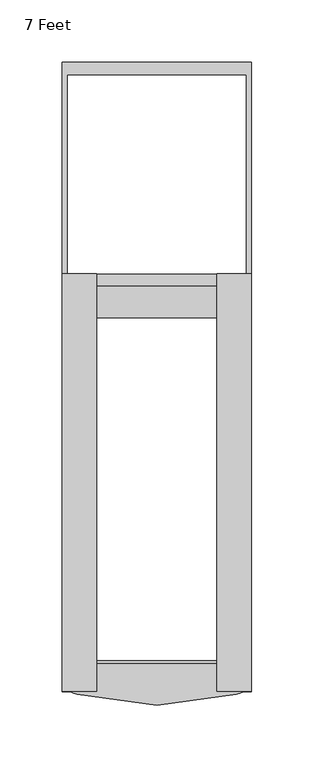
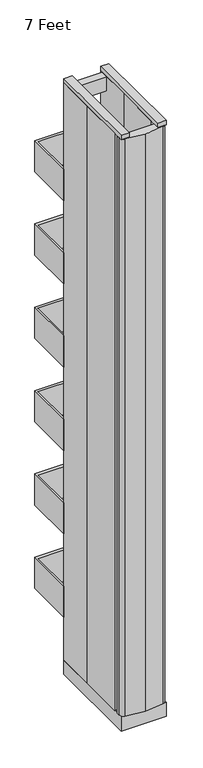
"""IFC4 building model written with IfcOpenShell, lengths in millimetres: electric appliance geometry, 7 Feet."""

from ifc_helpers import new_model, si_unit, point, frame, frame_2d, origin, origin_with_axes, place, context, project, spatial, polyline, circle_curve, trimmed, segment, composite_curve, outline, extrude, source, transform, mapped, element, save


def electric_appliance_7_feet_7bc435dc(model_context):
    return source(origin(), model_context, "Body", "SweptSolid", [
        extrude(outline(polyline([(-76.2, 169.926), (76.2, 169.926), (76.2, 0.0), (72.136, 0.0), (72.136, 160.02), (-72.136, 160.02), (-72.136, 0.0), (-76.2, 0.0), (-76.2, 169.926)])), frame((0.0, 0.0, 1696.974), z_axis=(0.0, 0.0, 1.0), x_axis=(1.0, 0.0, 0.0)), (0.0, 0.0, 1.0), 111.76),
        extrude(outline(polyline([(-76.2, 169.926), (76.2, 169.926), (76.2, 0.0), (72.136, 0.0), (72.136, 160.02), (-72.136, 160.02), (-72.136, 0.0), (-76.2, 0.0), (-76.2, 169.926)])), frame((0.0, 0.0, 1398.524), z_axis=(0.0, 0.0, 1.0), x_axis=(1.0, 0.0, 0.0)), (0.0, 0.0, 1.0), 111.76),
        extrude(outline(polyline([(-76.2, 169.926), (76.2, 169.926), (76.2, 0.0), (72.136, 0.0), (72.136, 160.02), (-72.136, 160.02), (-72.136, 0.0), (-76.2, 0.0), (-76.2, 169.926)])), frame((0.0, 0.0, 1100.074), z_axis=(0.0, 0.0, 1.0), x_axis=(1.0, 0.0, 0.0)), (0.0, 0.0, 1.0), 111.76),
        extrude(outline(polyline([(-76.2, 169.926), (76.2, 169.926), (76.2, 0.0), (72.136, 0.0), (72.136, 160.02), (-72.136, 160.02), (-72.136, 0.0), (-76.2, 0.0), (-76.2, 169.926)])), frame((0.0, 0.0, 801.624), z_axis=(0.0, 0.0, 1.0), x_axis=(1.0, 0.0, 0.0)), (0.0, 0.0, 1.0), 111.76),
        extrude(outline(polyline([(-76.2, 169.926), (76.2, 169.926), (76.2, 0.0), (72.136, 0.0), (72.136, 160.02), (-72.136, 160.02), (-72.136, 0.0), (-76.2, 0.0), (-76.2, 169.926)])), frame((0.0, 0.0, 503.174), z_axis=(0.0, 0.0, 1.0), x_axis=(1.0, 0.0, 0.0)), (0.0, 0.0, 1.0), 111.76),
        extrude(outline(polyline([(-76.2, 169.926), (76.2, 169.926), (76.2, 0.0), (72.136, 0.0), (72.136, 160.02), (-72.136, 160.02), (-72.136, 0.0), (-76.2, 0.0), (-76.2, 169.926)])), frame((0.0, 0.0, 204.724), z_axis=(0.0, 0.0, 1.0), x_axis=(1.0, 0.0, 0.0)), (0.0, 0.0, 1.0), 111.76),
        extrude(outline(composite_curve([segment(polyline([(-76.2, -323.85), (-76.2, -313.182), (76.2, -313.182), (76.2, -323.85)]), True, "CONTINUOUS"), segment(trimmed(circle_curve(frame_2d((62.23, -323.85)), 13.97), [point((76.2, -323.85))], [point((64.1757183, -337.6838382))], False, "CARTESIAN"), True, "CONTINUOUS"), segment(polyline([(64.1757183, -337.6838382), (0.0, -346.710102), (-64.1757183, -337.6838382)]), True, "CONTINUOUS"), segment(trimmed(circle_curve(frame_2d((-62.23, -323.85)), 13.97), [point((-64.1757183, -337.6838382))], [point((-76.2, -323.85))], False, "CARTESIAN"), True, "CONTINUOUS")], self_intersect=False)), frame((0.0, 0.0, 50.8), z_axis=(0.0, 0.0, 1.0), x_axis=(1.0, 0.0, 0.0)), (0.0, 0.0, 1.0), 2067.052),
        extrude(outline(polyline([(76.2, -136.906), (76.2, -297.18), (48.514, -297.18), (48.514, -136.906), (76.2, -136.906)])), frame((0.0, 0.0, 50.8), z_axis=(0.0, 0.0, 1.0), x_axis=(1.0, 0.0, 0.0)), (0.0, 0.0, 1.0), 2067.052),
        extrude(outline(polyline([(-48.514, -136.906), (-48.514, -297.18), (-76.2, -297.18), (-76.2, -136.906), (-48.514, -136.906)])), frame((0.0, 0.0, 50.8), z_axis=(0.0, 0.0, 1.0), x_axis=(1.0, 0.0, 0.0)), (0.0, 0.0, 1.0), 2067.052),
        extrude(outline(polyline([(-48.514, 0.0), (-48.514, -136.906), (-76.2, -136.906), (-76.2, 0.0), (-48.514, 0.0)])), frame((0.0, 0.0, 50.8), z_axis=(0.0, 0.0, 1.0), x_axis=(1.0, 0.0, 0.0)), (0.0, 0.0, 1.0), 2067.052),
        extrude(outline(polyline([(76.2, 0.0), (76.2, -136.906), (48.514, -136.906), (48.514, 0.0), (76.2, 0.0)])), frame((0.0, 0.0, 50.8), z_axis=(0.0, 0.0, 1.0), x_axis=(1.0, 0.0, 0.0)), (0.0, 0.0, 1.0), 2067.052),
        extrude(outline(polyline([(48.514, -9.906), (48.514, -35.306), (-48.514, -35.306), (-48.514, -9.906), (48.514, -9.906)])), frame((0.0, 0.0, 2067.052), z_axis=(0.0, 0.0, 1.0), x_axis=(1.0, 0.0, 0.0)), (0.0, 0.0, 1.0), 50.8),
        extrude(outline(polyline([(-48.514, 0.0), (-48.514, -335.28), (-76.2, -335.28), (-76.2, 0.0), (-48.514, 0.0)])), frame((0.0, 0.0, 2117.852), z_axis=(0.0, 0.0, 1.0), x_axis=(1.0, 0.0, 0.0)), (0.0, 0.0, 1.0), 15.748),
        extrude(outline(polyline([(76.2, 0.0), (76.2, -335.28), (48.514, -335.28), (48.514, 0.0), (76.2, 0.0)])), frame((0.0, 0.0, 2117.852), z_axis=(0.0, 0.0, 1.0), x_axis=(1.0, 0.0, 0.0)), (0.0, 0.0, 1.0), 15.748),
        extrude(outline(polyline([(76.2, 0.0), (76.2, -335.28), (-76.2, -335.28), (-76.2, 0.0), (76.2, 0.0)]), holes=[polyline([(48.514, -25.4), (-48.514, -25.4), (-48.514, -310.134), (48.514, -310.134), (48.514, -25.4)])]), origin_with_axes(), (0.0, 0.0, 1.0), 50.8),
    ])


if __name__ == "__main__":
    model = new_model("IFC4")
    model_context = context("Model", 3, world=origin())
    ifc_project = project(units=[si_unit("LENGTHUNIT", "METRE", prefix="MILLI")], contexts=[model_context])
    site = spatial("IfcSite", under=ifc_project)
    building = spatial("IfcBuilding", under=site)
    placement = place(None, origin())
    electric_appliance_7_feet_shape = electric_appliance_7_feet_7bc435dc(model_context)
    element("IfcElectricAppliance", 1, ObjectType="7 Feet", at=placement, inside=building, context=model_context, shape_type="MappedRepresentation", body=[
        mapped(electric_appliance_7_feet_shape, transform((0.0, 0.0, 0.0), x_axis=(1.0, 0.0, 0.0), y_axis=(0.0, 1.0, 0.0), z_axis=(0.0, 0.0, 1.0))),
    ])
    save(model, "model.ifc")
